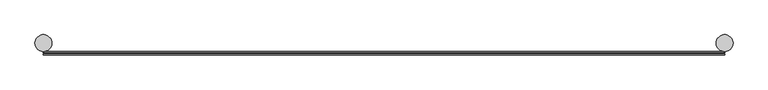
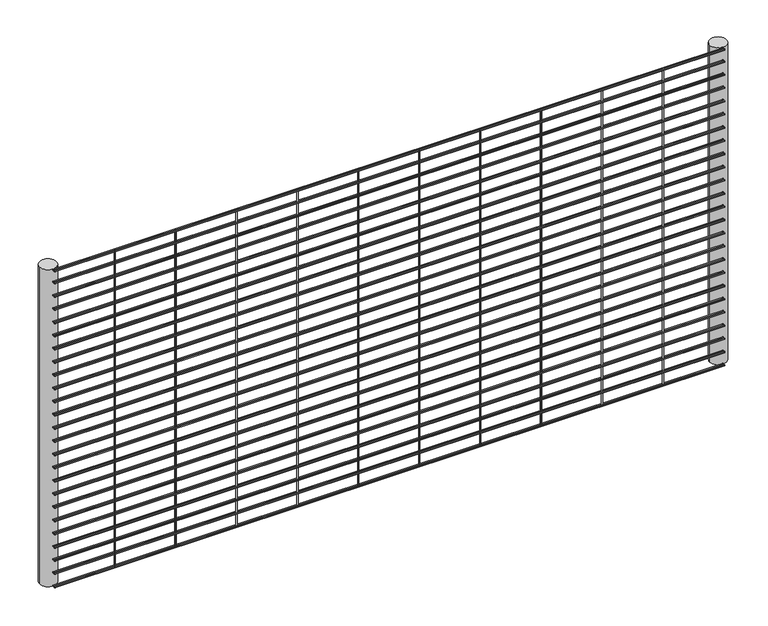
"""IFC4 building model written with IfcOpenShell, lengths in millimetres: railing geometry."""

import ifcopenshell
import ifcopenshell.guid

model = None  # the IFC model being written
_history = None  # IfcOwnerHistory: only IFC2X3 demands one
_inside = {}  # id of a spatial element -> (the spatial element, [elements in it])
_under = {}  # id of a project, library or spatial element -> (it, [spatial elements below it])
_declared = {}  # id of a project -> (the project, [libraries it declares])
_typed = {}  # id of a type object -> (the type object, [elements of that type])
_made_of = {}  # id of a material, layer set ... -> (it, [elements and type objects made of it])


def new_model(schema):
    """Start an empty IFC model of exactly this schema.

    Asked for "IFC4X3", IfcOpenShell would pick the latest addendum, in which some entities
    have other attributes; the version numbers below select the first issue.
    IFC2X3 requires an IfcOwnerHistory on every rooted entity: one is made here for all.
    """
    global model, _history
    if schema == "IFC4X3":
        model = ifcopenshell.file(schema_version=(4, 3, 0, 0))
    else:
        model = ifcopenshell.file(schema=schema)
    _inside.clear()
    _under.clear()
    _declared.clear()
    _typed.clear()
    _made_of.clear()
    _history = None
    if model.schema == "IFC2X3":
        org = make("IfcOrganization", Name="unknown")
        user = make(
            "IfcPersonAndOrganization",
            ThePerson=make("IfcPerson", FamilyName="unknown"),
            TheOrganization=org,
        )
        app = make(
            "IfcApplication",
            ApplicationDeveloper=org,
            Version="unknown",
            ApplicationFullName="unknown",
            ApplicationIdentifier="unknown",
        )
        _history = make(
            "IfcOwnerHistory",
            OwningUser=user,
            OwningApplication=app,
            ChangeAction="ADDED",
            CreationDate=0,
        )
    return model


def make(cls, **values):
    """One entity of the class cls with the attributes given. An attribute that is None is left unset."""
    return model.create_entity(
        cls, **{name: value for name, value in values.items() if value is not None}
    )


def rooted(cls, **values):
    """An entity with a GlobalId (a new one), such as an element, a storey or a relation."""
    return make(cls, GlobalId=ifcopenshell.guid.new(), OwnerHistory=_history, **values)


def si_unit(unit_type, name, prefix=None):
    """IfcSIUnit, for example si_unit("LENGTHUNIT", "METRE", prefix="MILLI")."""
    return make("IfcSIUnit", UnitType=unit_type, Prefix=prefix, Name=name)


def assignment(units):
    """IfcUnitAssignment: the units of a project."""
    return None if units is None else make("IfcUnitAssignment", Units=units)


def point(xyz):
    """IfcCartesianPoint."""
    return None if xyz is None else make("IfcCartesianPoint", Coordinates=xyz)


def direction(xyz):
    """IfcDirection."""
    return None if xyz is None else make("IfcDirection", DirectionRatios=xyz)


def frame(location, z_axis=None, x_axis=None):
    """IfcAxis2Placement3D, a coordinate frame: its origin and axes. An axis left out is left unset."""
    return make(
        "IfcAxis2Placement3D",
        Location=point(location),
        Axis=direction(z_axis),
        RefDirection=direction(x_axis),
    )


def frame_2d(location, x_axis=None):
    """IfcAxis2Placement2D, a coordinate frame in the plane: its origin and x axis."""
    return make(
        "IfcAxis2Placement2D", Location=point(location), RefDirection=direction(x_axis)
    )


def origin():
    """The frame at (0, 0, 0) with its axes left unset."""
    return frame((0.0, 0.0, 0.0))


def place(relative_to, where):
    """IfcLocalPlacement: puts the frame where relative to a parent placement (None: the world)."""
    return make(
        "IfcLocalPlacement", PlacementRelTo=relative_to, RelativePlacement=where
    )


def context(
    kind, dimensions, precision=None, world=None, true_north=None, identifier=None
):
    """IfcGeometricRepresentationContext, for example the 3D "Model" context."""
    return make(
        "IfcGeometricRepresentationContext",
        ContextIdentifier=identifier,
        ContextType=kind,
        CoordinateSpaceDimension=dimensions,
        Precision=precision,
        WorldCoordinateSystem=world,
        TrueNorth=true_north,
    )


def project(units=None, contexts=None):
    """IfcProject with its units and contexts."""
    return rooted(
        "IfcProject",
        Name="project",
        RepresentationContexts=contexts,
        UnitsInContext=assignment(units),
    )


def spatial(cls, under=None, at=None, **own):
    """A site, building, storey or space (cls), placed at a placement, below another one or the project."""
    s = rooted(cls, ObjectPlacement=at, **own)
    if under is not None:
        _under.setdefault(under.id(), (under, []))[1].append(s)
    return s


def circle_curve(where, radius):
    """IfcCircle in the frame where."""
    return make("IfcCircle", Position=where, Radius=radius)


def trimmed(basis, trim1, trim2, sense, master):
    """IfcTrimmedCurve: the piece of a basis curve between two trims."""
    return make(
        "IfcTrimmedCurve",
        BasisCurve=basis,
        Trim1=trim1,
        Trim2=trim2,
        SenseAgreement=sense,
        MasterRepresentation=master,
    )


def segment(curve, same_sense, transition):
    """IfcCompositeCurveSegment."""
    return make(
        "IfcCompositeCurveSegment",
        Transition=transition,
        SameSense=same_sense,
        ParentCurve=curve,
    )


def composite_curve(segments, self_intersect=None):
    """IfcCompositeCurve: segments joined end to end."""
    return make("IfcCompositeCurve", Segments=segments, SelfIntersect=self_intersect)


def outline(outer, holes=None, kind="AREA"):
    """IfcArbitraryClosedProfileDef: a profile drawn as a closed curve; with holes, ...WithVoids."""
    if holes is None:
        return make("IfcArbitraryClosedProfileDef", ProfileType=kind, OuterCurve=outer)
    return make(
        "IfcArbitraryProfileDefWithVoids",
        ProfileType=kind,
        OuterCurve=outer,
        InnerCurves=holes,
    )


def extrude(swept, where, along, depth):
    """IfcExtrudedAreaSolid: the profile swept, set in the frame where, extruded along a direction by depth."""
    return make(
        "IfcExtrudedAreaSolid",
        SweptArea=swept,
        Position=where,
        ExtrudedDirection=direction(along),
        Depth=depth,
    )


def shape(context_of_items, identifier, shape_type, items):
    """IfcShapeRepresentation: the items that make up one representation, for example the "Body"."""
    return make(
        "IfcShapeRepresentation",
        ContextOfItems=context_of_items,
        RepresentationIdentifier=identifier,
        RepresentationType=shape_type,
        Items=items,
    )


def source(mapping_origin, context_of_items, identifier, shape_type, items):
    """IfcRepresentationMap: a shape defined once, which mapped items show again and again."""
    return make(
        "IfcRepresentationMap",
        MappingOrigin=mapping_origin,
        MappedRepresentation=shape(context_of_items, identifier, shape_type, items),
    )


def transform(
    local_origin,
    x_axis=None,
    y_axis=None,
    z_axis=None,
    scale=None,
    scale2=None,
    scale3=None,
    uniform=True,
):
    """IfcCartesianTransformationOperator3D, or its non-uniform kind. x_axis, y_axis, z_axis: its Axis1, 2, 3."""
    if uniform:
        return make(
            "IfcCartesianTransformationOperator3D",
            Axis1=direction(x_axis),
            Axis2=direction(y_axis),
            LocalOrigin=point(local_origin),
            Scale=scale,
            Axis3=direction(z_axis),
        )
    return make(
        "IfcCartesianTransformationOperator3DnonUniform",
        Axis1=direction(x_axis),
        Axis2=direction(y_axis),
        LocalOrigin=point(local_origin),
        Scale=scale,
        Axis3=direction(z_axis),
        Scale2=scale2,
        Scale3=scale3,
    )


def mapped(mapping_source, mapping_target):
    """IfcMappedItem: shows the shape of a source again, moved by a transform."""
    return make(
        "IfcMappedItem", MappingSource=mapping_source, MappingTarget=mapping_target
    )


def made_of(thing, what):
    """Note that an element or type object is made of a material, layer set ...; save() writes the relation."""
    if what is not None:
        _made_of.setdefault(what.id(), (what, []))[1].append(thing)
    return thing


def element(
    cls,
    number,
    at=None,
    inside=None,
    cuts=None,
    type_object=None,
    material=None,
    context=None,
    identifier="Body",
    shape_type=None,
    held_by="IfcProductDefinitionShape",
    body=None,
    shapes=None,
    **own,
):
    """One element of the class cls, such as IfcWall. Its Tag is "e" and its number.

    at: its placement. inside: the storey or other place that contains it. cuts: it is an
    opening in that element (IfcRelVoidsElement). A single representation is given by context,
    identifier, shape_type and body (its items); several are given by shapes. held_by: the class
    of the entity that holds the representations. save() writes the other relations.
    """
    e = rooted(cls, Tag="e%d" % number, ObjectPlacement=at, **own)
    if body is not None:
        shapes = [shape(context, identifier, shape_type, body)]
    if shapes is not None:
        e.Representation = make(held_by, Representations=shapes)
    if inside is not None:
        _inside.setdefault(inside.id(), (inside, []))[1].append(e)
    if cuts is not None:
        rooted(
            "IfcRelVoidsElement", RelatingBuildingElement=cuts, RelatedOpeningElement=e
        )
    if type_object is not None:
        _typed.setdefault(type_object.id(), (type_object, []))[1].append(e)
    return made_of(e, material)


def aggregate(whole, parts):
    """IfcRelAggregates: a whole, such as a stair, and the parts it consists of."""
    return rooted("IfcRelAggregates", RelatingObject=whole, RelatedObjects=parts)


def save(model, path):
    """Write the relations noted so far, then the file.

    IfcRelAggregates (storeys below a building ...), IfcRelContainedInSpatialStructure (elements
    in a storey), IfcRelDefinesByType, IfcRelAssociatesMaterial and IfcRelDeclares: one each for
    every whole, place, type object, material and project.
    """
    for whole, parts in _under.values():
        aggregate(whole, parts)
    for where, things in _inside.values():
        rooted(
            "IfcRelContainedInSpatialStructure",
            RelatedElements=things,
            RelatingStructure=where,
        )
    for kind, things in _typed.values():
        rooted("IfcRelDefinesByType", RelatedObjects=things, RelatingType=kind)
    for what, things in _made_of.values():
        rooted("IfcRelAssociatesMaterial", RelatedObjects=things, RelatingMaterial=what)
    for by, libraries in _declared.values():
        rooted("IfcRelDeclares", RelatingContext=by, RelatedDefinitions=libraries)
    model.write(path)


def railing_cacaec02(model_context):
    return source(origin(), model_context, "Body", "SweptSolid", [
        extrude(outline(composite_curve([segment(trimmed(circle_curve(frame_2d((3531.195995, 8836.81875)), 2.0574), [point((3533.253395, 8836.81875))], [point((3529.138595, 8836.81875))], False, "CARTESIAN"), True, "CONTINUOUS"), segment(trimmed(circle_curve(frame_2d((3531.195995, 8836.81875)), 2.0574), [point((3529.138595, 8836.81875))], [point((3533.253395, 8836.81875))], False, "CARTESIAN"), True, "CONTINUOUS")], self_intersect=False)), frame((-11285.4581376, 0.0, 0.0), z_axis=(1.0, 0.0, 0.0), x_axis=(0.0, 1.0, 0.0)), (0.0, 0.0, 1.0), 2438.4),
        extrude(outline(composite_curve([segment(trimmed(circle_curve(frame_2d((3539.3319325, 8836.81875)), 2.0574), [point((3541.3893325, 8836.81875))], [point((3537.2745325, 8836.81875))], False, "CARTESIAN"), True, "CONTINUOUS"), segment(trimmed(circle_curve(frame_2d((3539.3319325, 8836.81875)), 2.0574), [point((3537.2745325, 8836.81875))], [point((3541.3893325, 8836.81875))], False, "CARTESIAN"), True, "CONTINUOUS")], self_intersect=False)), frame((-11285.4581376, 0.0, 0.0), z_axis=(1.0, 0.0, 0.0), x_axis=(0.0, 1.0, 0.0)), (0.0, 0.0, 1.0), 2438.4),
        extrude(outline(composite_curve([segment(trimmed(circle_curve(frame_2d((3531.195995, 8790.4835937)), 2.0574), [point((3533.253395, 8790.4835937))], [point((3529.138595, 8790.4835937))], False, "CARTESIAN"), True, "CONTINUOUS"), segment(trimmed(circle_curve(frame_2d((3531.195995, 8790.4835937)), 2.0574), [point((3529.138595, 8790.4835937))], [point((3533.253395, 8790.4835937))], False, "CARTESIAN"), True, "CONTINUOUS")], self_intersect=False)), frame((-11285.4581376, 0.0, 0.0), z_axis=(1.0, 0.0, 0.0), x_axis=(0.0, 1.0, 0.0)), (0.0, 0.0, 1.0), 2438.4),
        extrude(outline(composite_curve([segment(trimmed(circle_curve(frame_2d((3539.3319325, 8790.4835937)), 2.0574), [point((3541.3893325, 8790.4835937))], [point((3537.2745325, 8790.4835937))], False, "CARTESIAN"), True, "CONTINUOUS"), segment(trimmed(circle_curve(frame_2d((3539.3319325, 8790.4835937)), 2.0574), [point((3537.2745325, 8790.4835937))], [point((3541.3893325, 8790.4835937))], False, "CARTESIAN"), True, "CONTINUOUS")], self_intersect=False)), frame((-11285.4581376, 0.0, 0.0), z_axis=(1.0, 0.0, 0.0), x_axis=(0.0, 1.0, 0.0)), (0.0, 0.0, 1.0), 2438.4),
        extrude(outline(composite_curve([segment(trimmed(circle_curve(frame_2d((3531.195995, 8739.6835937)), 2.0574), [point((3533.253395, 8739.6835937))], [point((3529.138595, 8739.6835937))], False, "CARTESIAN"), True, "CONTINUOUS"), segment(trimmed(circle_curve(frame_2d((3531.195995, 8739.6835937)), 2.0574), [point((3529.138595, 8739.6835937))], [point((3533.253395, 8739.6835937))], False, "CARTESIAN"), True, "CONTINUOUS")], self_intersect=False)), frame((-11285.4581376, 0.0, 0.0), z_axis=(1.0, 0.0, 0.0), x_axis=(0.0, 1.0, 0.0)), (0.0, 0.0, 1.0), 2438.4),
        extrude(outline(composite_curve([segment(trimmed(circle_curve(frame_2d((3539.3319325, 8739.6835937)), 2.0574), [point((3541.3893325, 8739.6835937))], [point((3537.2745325, 8739.6835937))], False, "CARTESIAN"), True, "CONTINUOUS"), segment(trimmed(circle_curve(frame_2d((3539.3319325, 8739.6835937)), 2.0574), [point((3537.2745325, 8739.6835937))], [point((3541.3893325, 8739.6835937))], False, "CARTESIAN"), True, "CONTINUOUS")], self_intersect=False)), frame((-11285.4581376, 0.0, 0.0), z_axis=(1.0, 0.0, 0.0), x_axis=(0.0, 1.0, 0.0)), (0.0, 0.0, 1.0), 2438.4),
        extrude(outline(composite_curve([segment(trimmed(circle_curve(frame_2d((3531.195995, 8688.8835937)), 2.0574), [point((3533.253395, 8688.8835937))], [point((3529.138595, 8688.8835937))], False, "CARTESIAN"), True, "CONTINUOUS"), segment(trimmed(circle_curve(frame_2d((3531.195995, 8688.8835937)), 2.0574), [point((3529.138595, 8688.8835937))], [point((3533.253395, 8688.8835937))], False, "CARTESIAN"), True, "CONTINUOUS")], self_intersect=False)), frame((-11285.4581376, 0.0, 0.0), z_axis=(1.0, 0.0, 0.0), x_axis=(0.0, 1.0, 0.0)), (0.0, 0.0, 1.0), 2438.4),
        extrude(outline(composite_curve([segment(trimmed(circle_curve(frame_2d((3539.3319325, 8688.8835937)), 2.0574), [point((3541.3893325, 8688.8835937))], [point((3537.2745325, 8688.8835937))], False, "CARTESIAN"), True, "CONTINUOUS"), segment(trimmed(circle_curve(frame_2d((3539.3319325, 8688.8835937)), 2.0574), [point((3537.2745325, 8688.8835937))], [point((3541.3893325, 8688.8835937))], False, "CARTESIAN"), True, "CONTINUOUS")], self_intersect=False)), frame((-11285.4581376, 0.0, 0.0), z_axis=(1.0, 0.0, 0.0), x_axis=(0.0, 1.0, 0.0)), (0.0, 0.0, 1.0), 2438.4),
        extrude(outline(composite_curve([segment(trimmed(circle_curve(frame_2d((3531.195995, 8638.0835937)), 2.0574), [point((3533.253395, 8638.0835937))], [point((3529.138595, 8638.0835937))], False, "CARTESIAN"), True, "CONTINUOUS"), segment(trimmed(circle_curve(frame_2d((3531.195995, 8638.0835937)), 2.0574), [point((3529.138595, 8638.0835937))], [point((3533.253395, 8638.0835937))], False, "CARTESIAN"), True, "CONTINUOUS")], self_intersect=False)), frame((-11285.4581376, 0.0, 0.0), z_axis=(1.0, 0.0, 0.0), x_axis=(0.0, 1.0, 0.0)), (0.0, 0.0, 1.0), 2438.4),
        extrude(outline(composite_curve([segment(trimmed(circle_curve(frame_2d((3539.3319325, 8638.0835937)), 2.0574), [point((3541.3893325, 8638.0835937))], [point((3537.2745325, 8638.0835937))], False, "CARTESIAN"), True, "CONTINUOUS"), segment(trimmed(circle_curve(frame_2d((3539.3319325, 8638.0835937)), 2.0574), [point((3537.2745325, 8638.0835937))], [point((3541.3893325, 8638.0835937))], False, "CARTESIAN"), True, "CONTINUOUS")], self_intersect=False)), frame((-11285.4581376, 0.0, 0.0), z_axis=(1.0, 0.0, 0.0), x_axis=(0.0, 1.0, 0.0)), (0.0, 0.0, 1.0), 2438.4),
        extrude(outline(composite_curve([segment(trimmed(circle_curve(frame_2d((3531.195995, 8587.2835937)), 2.0574), [point((3533.253395, 8587.2835937))], [point((3529.138595, 8587.2835937))], False, "CARTESIAN"), True, "CONTINUOUS"), segment(trimmed(circle_curve(frame_2d((3531.195995, 8587.2835937)), 2.0574), [point((3529.138595, 8587.2835937))], [point((3533.253395, 8587.2835937))], False, "CARTESIAN"), True, "CONTINUOUS")], self_intersect=False)), frame((-11285.4581376, 0.0, 0.0), z_axis=(1.0, 0.0, 0.0), x_axis=(0.0, 1.0, 0.0)), (0.0, 0.0, 1.0), 2438.4),
        extrude(outline(composite_curve([segment(trimmed(circle_curve(frame_2d((3539.3319325, 8587.2835937)), 2.0574), [point((3541.3893325, 8587.2835937))], [point((3537.2745325, 8587.2835937))], False, "CARTESIAN"), True, "CONTINUOUS"), segment(trimmed(circle_curve(frame_2d((3539.3319325, 8587.2835937)), 2.0574), [point((3537.2745325, 8587.2835937))], [point((3541.3893325, 8587.2835937))], False, "CARTESIAN"), True, "CONTINUOUS")], self_intersect=False)), frame((-11285.4581376, 0.0, 0.0), z_axis=(1.0, 0.0, 0.0), x_axis=(0.0, 1.0, 0.0)), (0.0, 0.0, 1.0), 2438.4),
        extrude(outline(composite_curve([segment(trimmed(circle_curve(frame_2d((3531.195995, 8536.4835937)), 2.0574), [point((3533.253395, 8536.4835937))], [point((3529.138595, 8536.4835937))], False, "CARTESIAN"), True, "CONTINUOUS"), segment(trimmed(circle_curve(frame_2d((3531.195995, 8536.4835937)), 2.0574), [point((3529.138595, 8536.4835937))], [point((3533.253395, 8536.4835937))], False, "CARTESIAN"), True, "CONTINUOUS")], self_intersect=False)), frame((-11285.4581376, 0.0, 0.0), z_axis=(1.0, 0.0, 0.0), x_axis=(0.0, 1.0, 0.0)), (0.0, 0.0, 1.0), 2438.4),
        extrude(outline(composite_curve([segment(trimmed(circle_curve(frame_2d((3539.3319325, 8536.4835937)), 2.0574), [point((3541.3893325, 8536.4835937))], [point((3537.2745325, 8536.4835937))], False, "CARTESIAN"), True, "CONTINUOUS"), segment(trimmed(circle_curve(frame_2d((3539.3319325, 8536.4835937)), 2.0574), [point((3537.2745325, 8536.4835937))], [point((3541.3893325, 8536.4835937))], False, "CARTESIAN"), True, "CONTINUOUS")], self_intersect=False)), frame((-11285.4581376, 0.0, 0.0), z_axis=(1.0, 0.0, 0.0), x_axis=(0.0, 1.0, 0.0)), (0.0, 0.0, 1.0), 2438.4),
        extrude(outline(composite_curve([segment(trimmed(circle_curve(frame_2d((3531.195995, 8485.6835937)), 2.0574), [point((3533.253395, 8485.6835937))], [point((3529.138595, 8485.6835937))], False, "CARTESIAN"), True, "CONTINUOUS"), segment(trimmed(circle_curve(frame_2d((3531.195995, 8485.6835937)), 2.0574), [point((3529.138595, 8485.6835937))], [point((3533.253395, 8485.6835937))], False, "CARTESIAN"), True, "CONTINUOUS")], self_intersect=False)), frame((-11285.4581376, 0.0, 0.0), z_axis=(1.0, 0.0, 0.0), x_axis=(0.0, 1.0, 0.0)), (0.0, 0.0, 1.0), 2438.4),
        extrude(outline(composite_curve([segment(trimmed(circle_curve(frame_2d((3539.3319325, 8485.6835937)), 2.0574), [point((3541.3893325, 8485.6835937))], [point((3537.2745325, 8485.6835937))], False, "CARTESIAN"), True, "CONTINUOUS"), segment(trimmed(circle_curve(frame_2d((3539.3319325, 8485.6835937)), 2.0574), [point((3537.2745325, 8485.6835937))], [point((3541.3893325, 8485.6835937))], False, "CARTESIAN"), True, "CONTINUOUS")], self_intersect=False)), frame((-11285.4581376, 0.0, 0.0), z_axis=(1.0, 0.0, 0.0), x_axis=(0.0, 1.0, 0.0)), (0.0, 0.0, 1.0), 2438.4),
        extrude(outline(composite_curve([segment(trimmed(circle_curve(frame_2d((3531.195995, 8434.8835937)), 2.0574), [point((3533.253395, 8434.8835937))], [point((3529.138595, 8434.8835937))], False, "CARTESIAN"), True, "CONTINUOUS"), segment(trimmed(circle_curve(frame_2d((3531.195995, 8434.8835937)), 2.0574), [point((3529.138595, 8434.8835937))], [point((3533.253395, 8434.8835937))], False, "CARTESIAN"), True, "CONTINUOUS")], self_intersect=False)), frame((-11285.4581376, 0.0, 0.0), z_axis=(1.0, 0.0, 0.0), x_axis=(0.0, 1.0, 0.0)), (0.0, 0.0, 1.0), 2438.4),
        extrude(outline(composite_curve([segment(trimmed(circle_curve(frame_2d((3539.3319325, 8434.8835937)), 2.0574), [point((3541.3893325, 8434.8835937))], [point((3537.2745325, 8434.8835937))], False, "CARTESIAN"), True, "CONTINUOUS"), segment(trimmed(circle_curve(frame_2d((3539.3319325, 8434.8835937)), 2.0574), [point((3537.2745325, 8434.8835937))], [point((3541.3893325, 8434.8835937))], False, "CARTESIAN"), True, "CONTINUOUS")], self_intersect=False)), frame((-11285.4581376, 0.0, 0.0), z_axis=(1.0, 0.0, 0.0), x_axis=(0.0, 1.0, 0.0)), (0.0, 0.0, 1.0), 2438.4),
        extrude(outline(composite_curve([segment(trimmed(circle_curve(frame_2d((3531.195995, 8384.0835937)), 2.0574), [point((3533.253395, 8384.0835937))], [point((3529.138595, 8384.0835937))], False, "CARTESIAN"), True, "CONTINUOUS"), segment(trimmed(circle_curve(frame_2d((3531.195995, 8384.0835937)), 2.0574), [point((3529.138595, 8384.0835937))], [point((3533.253395, 8384.0835937))], False, "CARTESIAN"), True, "CONTINUOUS")], self_intersect=False)), frame((-11285.4581376, 0.0, 0.0), z_axis=(1.0, 0.0, 0.0), x_axis=(0.0, 1.0, 0.0)), (0.0, 0.0, 1.0), 2438.4),
        extrude(outline(composite_curve([segment(trimmed(circle_curve(frame_2d((3539.3319325, 8384.0835937)), 2.0574), [point((3541.3893325, 8384.0835937))], [point((3537.2745325, 8384.0835937))], False, "CARTESIAN"), True, "CONTINUOUS"), segment(trimmed(circle_curve(frame_2d((3539.3319325, 8384.0835937)), 2.0574), [point((3537.2745325, 8384.0835937))], [point((3541.3893325, 8384.0835937))], False, "CARTESIAN"), True, "CONTINUOUS")], self_intersect=False)), frame((-11285.4581376, 0.0, 0.0), z_axis=(1.0, 0.0, 0.0), x_axis=(0.0, 1.0, 0.0)), (0.0, 0.0, 1.0), 2438.4),
        extrude(outline(composite_curve([segment(trimmed(circle_curve(frame_2d((3531.195995, 8333.2835937)), 2.0574), [point((3533.253395, 8333.2835937))], [point((3529.138595, 8333.2835937))], False, "CARTESIAN"), True, "CONTINUOUS"), segment(trimmed(circle_curve(frame_2d((3531.195995, 8333.2835937)), 2.0574), [point((3529.138595, 8333.2835937))], [point((3533.253395, 8333.2835937))], False, "CARTESIAN"), True, "CONTINUOUS")], self_intersect=False)), frame((-11285.4581376, 0.0, 0.0), z_axis=(1.0, 0.0, 0.0), x_axis=(0.0, 1.0, 0.0)), (0.0, 0.0, 1.0), 2438.4),
        extrude(outline(composite_curve([segment(trimmed(circle_curve(frame_2d((3539.3319325, 8333.2835937)), 2.0574), [point((3541.3893325, 8333.2835937))], [point((3537.2745325, 8333.2835937))], False, "CARTESIAN"), True, "CONTINUOUS"), segment(trimmed(circle_curve(frame_2d((3539.3319325, 8333.2835937)), 2.0574), [point((3537.2745325, 8333.2835937))], [point((3541.3893325, 8333.2835937))], False, "CARTESIAN"), True, "CONTINUOUS")], self_intersect=False)), frame((-11285.4581376, 0.0, 0.0), z_axis=(1.0, 0.0, 0.0), x_axis=(0.0, 1.0, 0.0)), (0.0, 0.0, 1.0), 2438.4),
        extrude(outline(composite_curve([segment(trimmed(circle_curve(frame_2d((3531.195995, 8282.4835937)), 2.0574), [point((3533.253395, 8282.4835937))], [point((3529.138595, 8282.4835937))], False, "CARTESIAN"), True, "CONTINUOUS"), segment(trimmed(circle_curve(frame_2d((3531.195995, 8282.4835937)), 2.0574), [point((3529.138595, 8282.4835937))], [point((3533.253395, 8282.4835937))], False, "CARTESIAN"), True, "CONTINUOUS")], self_intersect=False)), frame((-11285.4581376, 0.0, 0.0), z_axis=(1.0, 0.0, 0.0), x_axis=(0.0, 1.0, 0.0)), (0.0, 0.0, 1.0), 2438.4),
        extrude(outline(composite_curve([segment(trimmed(circle_curve(frame_2d((3539.3319325, 8282.4835937)), 2.0574), [point((3541.3893325, 8282.4835937))], [point((3537.2745325, 8282.4835937))], False, "CARTESIAN"), True, "CONTINUOUS"), segment(trimmed(circle_curve(frame_2d((3539.3319325, 8282.4835937)), 2.0574), [point((3537.2745325, 8282.4835937))], [point((3541.3893325, 8282.4835937))], False, "CARTESIAN"), True, "CONTINUOUS")], self_intersect=False)), frame((-11285.4581376, 0.0, 0.0), z_axis=(1.0, 0.0, 0.0), x_axis=(0.0, 1.0, 0.0)), (0.0, 0.0, 1.0), 2438.4),
        extrude(outline(composite_curve([segment(trimmed(circle_curve(frame_2d((3531.195995, 8231.6835937)), 2.0574), [point((3533.253395, 8231.6835937))], [point((3529.138595, 8231.6835937))], False, "CARTESIAN"), True, "CONTINUOUS"), segment(trimmed(circle_curve(frame_2d((3531.195995, 8231.6835937)), 2.0574), [point((3529.138595, 8231.6835937))], [point((3533.253395, 8231.6835937))], False, "CARTESIAN"), True, "CONTINUOUS")], self_intersect=False)), frame((-11285.4581376, 0.0, 0.0), z_axis=(1.0, 0.0, 0.0), x_axis=(0.0, 1.0, 0.0)), (0.0, 0.0, 1.0), 2438.4),
        extrude(outline(composite_curve([segment(trimmed(circle_curve(frame_2d((3539.3319325, 8231.6835937)), 2.0574), [point((3541.3893325, 8231.6835937))], [point((3537.2745325, 8231.6835937))], False, "CARTESIAN"), True, "CONTINUOUS"), segment(trimmed(circle_curve(frame_2d((3539.3319325, 8231.6835937)), 2.0574), [point((3537.2745325, 8231.6835937))], [point((3541.3893325, 8231.6835937))], False, "CARTESIAN"), True, "CONTINUOUS")], self_intersect=False)), frame((-11285.4581376, 0.0, 0.0), z_axis=(1.0, 0.0, 0.0), x_axis=(0.0, 1.0, 0.0)), (0.0, 0.0, 1.0), 2438.4),
        extrude(outline(composite_curve([segment(trimmed(circle_curve(frame_2d((3531.195995, 8180.8835937)), 2.0574), [point((3533.253395, 8180.8835937))], [point((3529.138595, 8180.8835937))], False, "CARTESIAN"), True, "CONTINUOUS"), segment(trimmed(circle_curve(frame_2d((3531.195995, 8180.8835937)), 2.0574), [point((3529.138595, 8180.8835937))], [point((3533.253395, 8180.8835937))], False, "CARTESIAN"), True, "CONTINUOUS")], self_intersect=False)), frame((-11285.4581376, 0.0, 0.0), z_axis=(1.0, 0.0, 0.0), x_axis=(0.0, 1.0, 0.0)), (0.0, 0.0, 1.0), 2438.4),
        extrude(outline(composite_curve([segment(trimmed(circle_curve(frame_2d((3539.3319325, 8180.8835937)), 2.0574), [point((3541.3893325, 8180.8835937))], [point((3537.2745325, 8180.8835937))], False, "CARTESIAN"), True, "CONTINUOUS"), segment(trimmed(circle_curve(frame_2d((3539.3319325, 8180.8835937)), 2.0574), [point((3537.2745325, 8180.8835937))], [point((3541.3893325, 8180.8835937))], False, "CARTESIAN"), True, "CONTINUOUS")], self_intersect=False)), frame((-11285.4581376, 0.0, 0.0), z_axis=(1.0, 0.0, 0.0), x_axis=(0.0, 1.0, 0.0)), (0.0, 0.0, 1.0), 2438.4),
        extrude(outline(composite_curve([segment(trimmed(circle_curve(frame_2d((3531.195995, 8130.0835937)), 2.0574), [point((3533.253395, 8130.0835937))], [point((3529.138595, 8130.0835937))], False, "CARTESIAN"), True, "CONTINUOUS"), segment(trimmed(circle_curve(frame_2d((3531.195995, 8130.0835937)), 2.0574), [point((3529.138595, 8130.0835937))], [point((3533.253395, 8130.0835937))], False, "CARTESIAN"), True, "CONTINUOUS")], self_intersect=False)), frame((-11285.4581376, 0.0, 0.0), z_axis=(1.0, 0.0, 0.0), x_axis=(0.0, 1.0, 0.0)), (0.0, 0.0, 1.0), 2438.4),
        extrude(outline(composite_curve([segment(trimmed(circle_curve(frame_2d((3539.3319325, 8130.0835937)), 2.0574), [point((3541.3893325, 8130.0835937))], [point((3537.2745325, 8130.0835937))], False, "CARTESIAN"), True, "CONTINUOUS"), segment(trimmed(circle_curve(frame_2d((3539.3319325, 8130.0835937)), 2.0574), [point((3537.2745325, 8130.0835937))], [point((3541.3893325, 8130.0835937))], False, "CARTESIAN"), True, "CONTINUOUS")], self_intersect=False)), frame((-11285.4581376, 0.0, 0.0), z_axis=(1.0, 0.0, 0.0), x_axis=(0.0, 1.0, 0.0)), (0.0, 0.0, 1.0), 2438.4),
        extrude(outline(composite_curve([segment(trimmed(circle_curve(frame_2d((3531.195995, 8079.2835937)), 2.0574), [point((3533.253395, 8079.2835937))], [point((3529.138595, 8079.2835937))], False, "CARTESIAN"), True, "CONTINUOUS"), segment(trimmed(circle_curve(frame_2d((3531.195995, 8079.2835937)), 2.0574), [point((3529.138595, 8079.2835937))], [point((3533.253395, 8079.2835937))], False, "CARTESIAN"), True, "CONTINUOUS")], self_intersect=False)), frame((-11285.4581376, 0.0, 0.0), z_axis=(1.0, 0.0, 0.0), x_axis=(0.0, 1.0, 0.0)), (0.0, 0.0, 1.0), 2438.4),
        extrude(outline(composite_curve([segment(trimmed(circle_curve(frame_2d((3539.3319325, 8079.2835937)), 2.0574), [point((3541.3893325, 8079.2835937))], [point((3537.2745325, 8079.2835937))], False, "CARTESIAN"), True, "CONTINUOUS"), segment(trimmed(circle_curve(frame_2d((3539.3319325, 8079.2835937)), 2.0574), [point((3537.2745325, 8079.2835937))], [point((3541.3893325, 8079.2835937))], False, "CARTESIAN"), True, "CONTINUOUS")], self_intersect=False)), frame((-11285.4581376, 0.0, 0.0), z_axis=(1.0, 0.0, 0.0), x_axis=(0.0, 1.0, 0.0)), (0.0, 0.0, 1.0), 2438.4),
        extrude(outline(composite_curve([segment(trimmed(circle_curve(frame_2d((3531.195995, 8028.4835937)), 2.0574), [point((3533.253395, 8028.4835937))], [point((3529.138595, 8028.4835937))], False, "CARTESIAN"), True, "CONTINUOUS"), segment(trimmed(circle_curve(frame_2d((3531.195995, 8028.4835937)), 2.0574), [point((3529.138595, 8028.4835937))], [point((3533.253395, 8028.4835937))], False, "CARTESIAN"), True, "CONTINUOUS")], self_intersect=False)), frame((-11285.4581376, 0.0, 0.0), z_axis=(1.0, 0.0, 0.0), x_axis=(0.0, 1.0, 0.0)), (0.0, 0.0, 1.0), 2438.4),
        extrude(outline(composite_curve([segment(trimmed(circle_curve(frame_2d((3539.3319325, 8028.4835937)), 2.0574), [point((3541.3893325, 8028.4835937))], [point((3537.2745325, 8028.4835937))], False, "CARTESIAN"), True, "CONTINUOUS"), segment(trimmed(circle_curve(frame_2d((3539.3319325, 8028.4835937)), 2.0574), [point((3537.2745325, 8028.4835937))], [point((3541.3893325, 8028.4835937))], False, "CARTESIAN"), True, "CONTINUOUS")], self_intersect=False)), frame((-11285.4581376, 0.0, 0.0), z_axis=(1.0, 0.0, 0.0), x_axis=(0.0, 1.0, 0.0)), (0.0, 0.0, 1.0), 2438.4),
        extrude(outline(composite_curve([segment(trimmed(circle_curve(frame_2d((3531.195995, 7977.6835937)), 2.0574), [point((3533.253395, 7977.6835937))], [point((3529.138595, 7977.6835937))], False, "CARTESIAN"), True, "CONTINUOUS"), segment(trimmed(circle_curve(frame_2d((3531.195995, 7977.6835937)), 2.0574), [point((3529.138595, 7977.6835937))], [point((3533.253395, 7977.6835937))], False, "CARTESIAN"), True, "CONTINUOUS")], self_intersect=False)), frame((-11285.4581376, 0.0, 0.0), z_axis=(1.0, 0.0, 0.0), x_axis=(0.0, 1.0, 0.0)), (0.0, 0.0, 1.0), 2438.4),
        extrude(outline(composite_curve([segment(trimmed(circle_curve(frame_2d((3539.3319325, 7977.6835937)), 2.0574), [point((3541.3893325, 7977.6835937))], [point((3537.2745325, 7977.6835937))], False, "CARTESIAN"), True, "CONTINUOUS"), segment(trimmed(circle_curve(frame_2d((3539.3319325, 7977.6835937)), 2.0574), [point((3537.2745325, 7977.6835937))], [point((3541.3893325, 7977.6835937))], False, "CARTESIAN"), True, "CONTINUOUS")], self_intersect=False)), frame((-11285.4581376, 0.0, 0.0), z_axis=(1.0, 0.0, 0.0), x_axis=(0.0, 1.0, 0.0)), (0.0, 0.0, 1.0), 2438.4),
        extrude(outline(composite_curve([segment(trimmed(circle_curve(frame_2d((3531.195995, 7926.8835937)), 2.0574), [point((3533.253395, 7926.8835937))], [point((3529.138595, 7926.8835937))], False, "CARTESIAN"), True, "CONTINUOUS"), segment(trimmed(circle_curve(frame_2d((3531.195995, 7926.8835937)), 2.0574), [point((3529.138595, 7926.8835937))], [point((3533.253395, 7926.8835937))], False, "CARTESIAN"), True, "CONTINUOUS")], self_intersect=False)), frame((-11285.4581376, 0.0, 0.0), z_axis=(1.0, 0.0, 0.0), x_axis=(0.0, 1.0, 0.0)), (0.0, 0.0, 1.0), 2438.4),
        extrude(outline(composite_curve([segment(trimmed(circle_curve(frame_2d((3539.3319325, 7926.8835937)), 2.0574), [point((3541.3893325, 7926.8835937))], [point((3537.2745325, 7926.8835937))], False, "CARTESIAN"), True, "CONTINUOUS"), segment(trimmed(circle_curve(frame_2d((3539.3319325, 7926.8835937)), 2.0574), [point((3537.2745325, 7926.8835937))], [point((3541.3893325, 7926.8835937))], False, "CARTESIAN"), True, "CONTINUOUS")], self_intersect=False)), frame((-11285.4581376, 0.0, 0.0), z_axis=(1.0, 0.0, 0.0), x_axis=(0.0, 1.0, 0.0)), (0.0, 0.0, 1.0), 2438.4),
        extrude(outline(composite_curve([segment(trimmed(circle_curve(frame_2d((3531.195995, 7876.0835937)), 2.0574), [point((3533.253395, 7876.0835937))], [point((3529.138595, 7876.0835937))], False, "CARTESIAN"), True, "CONTINUOUS"), segment(trimmed(circle_curve(frame_2d((3531.195995, 7876.0835937)), 2.0574), [point((3529.138595, 7876.0835937))], [point((3533.253395, 7876.0835937))], False, "CARTESIAN"), True, "CONTINUOUS")], self_intersect=False)), frame((-11285.4581376, 0.0, 0.0), z_axis=(1.0, 0.0, 0.0), x_axis=(0.0, 1.0, 0.0)), (0.0, 0.0, 1.0), 2438.4),
        extrude(outline(composite_curve([segment(trimmed(circle_curve(frame_2d((3539.3319325, 7876.0835937)), 2.0574), [point((3541.3893325, 7876.0835937))], [point((3537.2745325, 7876.0835937))], False, "CARTESIAN"), True, "CONTINUOUS"), segment(trimmed(circle_curve(frame_2d((3539.3319325, 7876.0835937)), 2.0574), [point((3537.2745325, 7876.0835937))], [point((3541.3893325, 7876.0835937))], False, "CARTESIAN"), True, "CONTINUOUS")], self_intersect=False)), frame((-11285.4581376, 0.0, 0.0), z_axis=(1.0, 0.0, 0.0), x_axis=(0.0, 1.0, 0.0)), (0.0, 0.0, 1.0), 2438.4),
        extrude(outline(composite_curve([segment(trimmed(circle_curve(frame_2d((3531.195995, 7825.2835937)), 2.0574), [point((3533.253395, 7825.2835937))], [point((3529.138595, 7825.2835937))], False, "CARTESIAN"), True, "CONTINUOUS"), segment(trimmed(circle_curve(frame_2d((3531.195995, 7825.2835937)), 2.0574), [point((3529.138595, 7825.2835937))], [point((3533.253395, 7825.2835937))], False, "CARTESIAN"), True, "CONTINUOUS")], self_intersect=False)), frame((-11285.4581376, 0.0, 0.0), z_axis=(1.0, 0.0, 0.0), x_axis=(0.0, 1.0, 0.0)), (0.0, 0.0, 1.0), 2438.4),
        extrude(outline(composite_curve([segment(trimmed(circle_curve(frame_2d((3539.3319325, 7825.2835937)), 2.0574), [point((3541.3893325, 7825.2835937))], [point((3537.2745325, 7825.2835937))], False, "CARTESIAN"), True, "CONTINUOUS"), segment(trimmed(circle_curve(frame_2d((3539.3319325, 7825.2835937)), 2.0574), [point((3537.2745325, 7825.2835937))], [point((3541.3893325, 7825.2835937))], False, "CARTESIAN"), True, "CONTINUOUS")], self_intersect=False)), frame((-11285.4581376, 0.0, 0.0), z_axis=(1.0, 0.0, 0.0), x_axis=(0.0, 1.0, 0.0)), (0.0, 0.0, 1.0), 2438.4),
        extrude(outline(composite_curve([segment(trimmed(circle_curve(frame_2d((3531.195995, 7774.4835937)), 2.0574), [point((3533.253395, 7774.4835937))], [point((3529.138595, 7774.4835937))], False, "CARTESIAN"), True, "CONTINUOUS"), segment(trimmed(circle_curve(frame_2d((3531.195995, 7774.4835937)), 2.0574), [point((3529.138595, 7774.4835937))], [point((3533.253395, 7774.4835937))], False, "CARTESIAN"), True, "CONTINUOUS")], self_intersect=False)), frame((-11285.4581376, 0.0, 0.0), z_axis=(1.0, 0.0, 0.0), x_axis=(0.0, 1.0, 0.0)), (0.0, 0.0, 1.0), 2438.4),
        extrude(outline(composite_curve([segment(trimmed(circle_curve(frame_2d((3539.3319325, 7774.4835937)), 2.0574), [point((3541.3893325, 7774.4835937))], [point((3537.2745325, 7774.4835937))], False, "CARTESIAN"), True, "CONTINUOUS"), segment(trimmed(circle_curve(frame_2d((3539.3319325, 7774.4835937)), 2.0574), [point((3537.2745325, 7774.4835937))], [point((3541.3893325, 7774.4835937))], False, "CARTESIAN"), True, "CONTINUOUS")], self_intersect=False)), frame((-11285.4581376, 0.0, 0.0), z_axis=(1.0, 0.0, 0.0), x_axis=(0.0, 1.0, 0.0)), (0.0, 0.0, 1.0), 2438.4),
        extrude(outline(composite_curve([segment(trimmed(circle_curve(frame_2d((3531.195995, 7723.6835937)), 2.0574), [point((3533.253395, 7723.6835937))], [point((3529.138595, 7723.6835937))], False, "CARTESIAN"), True, "CONTINUOUS"), segment(trimmed(circle_curve(frame_2d((3531.195995, 7723.6835937)), 2.0574), [point((3529.138595, 7723.6835937))], [point((3533.253395, 7723.6835937))], False, "CARTESIAN"), True, "CONTINUOUS")], self_intersect=False)), frame((-11285.4581376, 0.0, 0.0), z_axis=(1.0, 0.0, 0.0), x_axis=(0.0, 1.0, 0.0)), (0.0, 0.0, 1.0), 2438.4),
        extrude(outline(composite_curve([segment(trimmed(circle_curve(frame_2d((3539.3319325, 7723.6835937)), 2.0574), [point((3541.3893325, 7723.6835937))], [point((3537.2745325, 7723.6835937))], False, "CARTESIAN"), True, "CONTINUOUS"), segment(trimmed(circle_curve(frame_2d((3539.3319325, 7723.6835937)), 2.0574), [point((3537.2745325, 7723.6835937))], [point((3541.3893325, 7723.6835937))], False, "CARTESIAN"), True, "CONTINUOUS")], self_intersect=False)), frame((-11285.4581376, 0.0, 0.0), z_axis=(1.0, 0.0, 0.0), x_axis=(0.0, 1.0, 0.0)), (0.0, 0.0, 1.0), 2438.4),
        extrude(outline(composite_curve([segment(trimmed(circle_curve(frame_2d((3531.195995, 7672.8835937)), 2.0574), [point((3533.253395, 7672.8835937))], [point((3529.138595, 7672.8835937))], False, "CARTESIAN"), True, "CONTINUOUS"), segment(trimmed(circle_curve(frame_2d((3531.195995, 7672.8835937)), 2.0574), [point((3529.138595, 7672.8835937))], [point((3533.253395, 7672.8835937))], False, "CARTESIAN"), True, "CONTINUOUS")], self_intersect=False)), frame((-11285.4581376, 0.0, 0.0), z_axis=(1.0, 0.0, 0.0), x_axis=(0.0, 1.0, 0.0)), (0.0, 0.0, 1.0), 2438.4),
        extrude(outline(composite_curve([segment(trimmed(circle_curve(frame_2d((3539.3319325, 7672.8835937)), 2.0574), [point((3541.3893325, 7672.8835937))], [point((3537.2745325, 7672.8835937))], False, "CARTESIAN"), True, "CONTINUOUS"), segment(trimmed(circle_curve(frame_2d((3539.3319325, 7672.8835937)), 2.0574), [point((3537.2745325, 7672.8835937))], [point((3541.3893325, 7672.8835937))], False, "CARTESIAN"), True, "CONTINUOUS")], self_intersect=False)), frame((-11285.4581376, 0.0, 0.0), z_axis=(1.0, 0.0, 0.0), x_axis=(0.0, 1.0, 0.0)), (0.0, 0.0, 1.0), 2438.4),
        extrude(outline(composite_curve([segment(trimmed(circle_curve(frame_2d((3531.195995, 7622.0835937)), 2.0574), [point((3533.253395, 7622.0835937))], [point((3529.138595, 7622.0835937))], False, "CARTESIAN"), True, "CONTINUOUS"), segment(trimmed(circle_curve(frame_2d((3531.195995, 7622.0835937)), 2.0574), [point((3529.138595, 7622.0835937))], [point((3533.253395, 7622.0835937))], False, "CARTESIAN"), True, "CONTINUOUS")], self_intersect=False)), frame((-11285.4581376, 0.0, 0.0), z_axis=(1.0, 0.0, 0.0), x_axis=(0.0, 1.0, 0.0)), (0.0, 0.0, 1.0), 2438.4),
        extrude(outline(composite_curve([segment(trimmed(circle_curve(frame_2d((3539.3319325, 7622.0835937)), 2.0574), [point((3541.3893325, 7622.0835937))], [point((3537.2745325, 7622.0835937))], False, "CARTESIAN"), True, "CONTINUOUS"), segment(trimmed(circle_curve(frame_2d((3539.3319325, 7622.0835937)), 2.0574), [point((3537.2745325, 7622.0835937))], [point((3541.3893325, 7622.0835937))], False, "CARTESIAN"), True, "CONTINUOUS")], self_intersect=False)), frame((-11285.4581376, 0.0, 0.0), z_axis=(1.0, 0.0, 0.0), x_axis=(0.0, 1.0, 0.0)), (0.0, 0.0, 1.0), 2438.4),
        extrude(outline(composite_curve([segment(trimmed(circle_curve(frame_2d((-9068.7308649, 3535.2639637)), 2.0574), [point((-9066.6734649, 3535.2639637))], [point((-9070.7882649, 3535.2639637))], False, "CARTESIAN"), True, "CONTINUOUS"), segment(trimmed(circle_curve(frame_2d((-9068.7308649, 3535.2639637)), 2.0574), [point((-9070.7882649, 3535.2639637))], [point((-9066.6734649, 3535.2639637))], False, "CARTESIAN"), True, "CONTINUOUS")], self_intersect=False)), frame((0.0, 0.0, 7620.0), z_axis=(0.0, 0.0, 1.0), x_axis=(1.0, 0.0, 0.0)), (0.0, 0.0, 1.0), 1219.2),
        extrude(outline(composite_curve([segment(trimmed(circle_curve(frame_2d((-9290.4035922, 3535.2639637)), 2.0574), [point((-9288.3461922, 3535.2639637))], [point((-9292.4609922, 3535.2639637))], False, "CARTESIAN"), True, "CONTINUOUS"), segment(trimmed(circle_curve(frame_2d((-9290.4035922, 3535.2639637)), 2.0574), [point((-9292.4609922, 3535.2639637))], [point((-9288.3461922, 3535.2639637))], False, "CARTESIAN"), True, "CONTINUOUS")], self_intersect=False)), frame((0.0, 0.0, 7620.0), z_axis=(0.0, 0.0, 1.0), x_axis=(1.0, 0.0, 0.0)), (0.0, 0.0, 1.0), 1219.2),
        extrude(outline(composite_curve([segment(trimmed(circle_curve(frame_2d((-9512.0763194, 3535.2639637)), 2.0574), [point((-9510.0189194, 3535.2639637))], [point((-9514.1337194, 3535.2639637))], False, "CARTESIAN"), True, "CONTINUOUS"), segment(trimmed(circle_curve(frame_2d((-9512.0763194, 3535.2639637)), 2.0574), [point((-9514.1337194, 3535.2639637))], [point((-9510.0189194, 3535.2639637))], False, "CARTESIAN"), True, "CONTINUOUS")], self_intersect=False)), frame((0.0, 0.0, 7620.0), z_axis=(0.0, 0.0, 1.0), x_axis=(1.0, 0.0, 0.0)), (0.0, 0.0, 1.0), 1219.2),
        extrude(outline(composite_curve([segment(trimmed(circle_curve(frame_2d((-9733.7490467, 3535.2639637)), 2.0574), [point((-9731.6916467, 3535.2639637))], [point((-9735.8064467, 3535.2639637))], False, "CARTESIAN"), True, "CONTINUOUS"), segment(trimmed(circle_curve(frame_2d((-9733.7490467, 3535.2639637)), 2.0574), [point((-9735.8064467, 3535.2639637))], [point((-9731.6916467, 3535.2639637))], False, "CARTESIAN"), True, "CONTINUOUS")], self_intersect=False)), frame((0.0, 0.0, 7620.0), z_axis=(0.0, 0.0, 1.0), x_axis=(1.0, 0.0, 0.0)), (0.0, 0.0, 1.0), 1219.2),
        extrude(outline(composite_curve([segment(trimmed(circle_curve(frame_2d((-9955.421774, 3535.2639637)), 2.0574), [point((-9953.364374, 3535.2639637))], [point((-9957.479174, 3535.2639637))], False, "CARTESIAN"), True, "CONTINUOUS"), segment(trimmed(circle_curve(frame_2d((-9955.421774, 3535.2639637)), 2.0574), [point((-9957.479174, 3535.2639637))], [point((-9953.364374, 3535.2639637))], False, "CARTESIAN"), True, "CONTINUOUS")], self_intersect=False)), frame((0.0, 0.0, 7620.0), z_axis=(0.0, 0.0, 1.0), x_axis=(1.0, 0.0, 0.0)), (0.0, 0.0, 1.0), 1219.2),
        extrude(outline(composite_curve([segment(trimmed(circle_curve(frame_2d((-10177.0945012, 3535.2639637)), 2.0574), [point((-10175.0371012, 3535.2639637))], [point((-10179.1519012, 3535.2639637))], False, "CARTESIAN"), True, "CONTINUOUS"), segment(trimmed(circle_curve(frame_2d((-10177.0945012, 3535.2639637)), 2.0574), [point((-10179.1519012, 3535.2639637))], [point((-10175.0371012, 3535.2639637))], False, "CARTESIAN"), True, "CONTINUOUS")], self_intersect=False)), frame((0.0, 0.0, 7620.0), z_axis=(0.0, 0.0, 1.0), x_axis=(1.0, 0.0, 0.0)), (0.0, 0.0, 1.0), 1219.2),
        extrude(outline(composite_curve([segment(trimmed(circle_curve(frame_2d((-10398.7672285, 3535.2639637)), 2.0574), [point((-10396.7098285, 3535.2639637))], [point((-10400.8246285, 3535.2639637))], False, "CARTESIAN"), True, "CONTINUOUS"), segment(trimmed(circle_curve(frame_2d((-10398.7672285, 3535.2639637)), 2.0574), [point((-10400.8246285, 3535.2639637))], [point((-10396.7098285, 3535.2639637))], False, "CARTESIAN"), True, "CONTINUOUS")], self_intersect=False)), frame((0.0, 0.0, 7620.0), z_axis=(0.0, 0.0, 1.0), x_axis=(1.0, 0.0, 0.0)), (0.0, 0.0, 1.0), 1219.2),
        extrude(outline(composite_curve([segment(trimmed(circle_curve(frame_2d((-10620.4399558, 3535.2639637)), 2.0574), [point((-10618.3825558, 3535.2639637))], [point((-10622.4973558, 3535.2639637))], False, "CARTESIAN"), True, "CONTINUOUS"), segment(trimmed(circle_curve(frame_2d((-10620.4399558, 3535.2639637)), 2.0574), [point((-10622.4973558, 3535.2639637))], [point((-10618.3825558, 3535.2639637))], False, "CARTESIAN"), True, "CONTINUOUS")], self_intersect=False)), frame((0.0, 0.0, 7620.0), z_axis=(0.0, 0.0, 1.0), x_axis=(1.0, 0.0, 0.0)), (0.0, 0.0, 1.0), 1219.2),
        extrude(outline(composite_curve([segment(trimmed(circle_curve(frame_2d((-10842.1126831, 3535.2639637)), 2.0574), [point((-10840.0552831, 3535.2639637))], [point((-10844.1700831, 3535.2639637))], False, "CARTESIAN"), True, "CONTINUOUS"), segment(trimmed(circle_curve(frame_2d((-10842.1126831, 3535.2639637)), 2.0574), [point((-10844.1700831, 3535.2639637))], [point((-10840.0552831, 3535.2639637))], False, "CARTESIAN"), True, "CONTINUOUS")], self_intersect=False)), frame((0.0, 0.0, 7620.0), z_axis=(0.0, 0.0, 1.0), x_axis=(1.0, 0.0, 0.0)), (0.0, 0.0, 1.0), 1219.2),
        extrude(outline(composite_curve([segment(trimmed(circle_curve(frame_2d((-11063.7854103, 3535.2639637)), 2.0574), [point((-11061.7280103, 3535.2639637))], [point((-11065.8428103, 3535.2639637))], False, "CARTESIAN"), True, "CONTINUOUS"), segment(trimmed(circle_curve(frame_2d((-11063.7854103, 3535.2639637)), 2.0574), [point((-11065.8428103, 3535.2639637))], [point((-11061.7280103, 3535.2639637))], False, "CARTESIAN"), True, "CONTINUOUS")], self_intersect=False)), frame((0.0, 0.0, 7620.0), z_axis=(0.0, 0.0, 1.0), x_axis=(1.0, 0.0, 0.0)), (0.0, 0.0, 1.0), 1219.2),
        extrude(outline(composite_curve([segment(trimmed(circle_curve(frame_2d((-8847.0581376, 3571.7764637)), 30.1625), [point((-8877.2206376, 3571.7764637))], [point((-8816.8956376, 3571.7764637))], False, "CARTESIAN"), True, "CONTINUOUS"), segment(trimmed(circle_curve(frame_2d((-8847.0581376, 3571.7764637)), 30.1625), [point((-8816.8956376, 3571.7764637))], [point((-8877.2206376, 3571.7764637))], False, "CARTESIAN"), True, "CONTINUOUS")], self_intersect=False)), frame((0.0, 0.0, 7620.0), z_axis=(0.0, 0.0, 1.0), x_axis=(1.0, 0.0, 0.0)), (0.0, 0.0, 1.0), 1219.2),
        extrude(outline(composite_curve([segment(trimmed(circle_curve(frame_2d((-11285.4581376, 3571.7764637)), 30.1625), [point((-11315.6206376, 3571.7764637))], [point((-11255.2956376, 3571.7764637))], False, "CARTESIAN"), True, "CONTINUOUS"), segment(trimmed(circle_curve(frame_2d((-11285.4581376, 3571.7764637)), 30.1625), [point((-11255.2956376, 3571.7764637))], [point((-11315.6206376, 3571.7764637))], False, "CARTESIAN"), True, "CONTINUOUS")], self_intersect=False)), frame((0.0, 0.0, 7620.0), z_axis=(0.0, 0.0, 1.0), x_axis=(1.0, 0.0, 0.0)), (0.0, 0.0, 1.0), 1219.2),
    ])


if __name__ == "__main__":
    model = new_model("IFC4")
    model_context = context("Model", 3, world=origin())
    ifc_project = project(units=[si_unit("LENGTHUNIT", "METRE", prefix="MILLI")], contexts=[model_context])
    site = spatial("IfcSite", under=ifc_project)
    building = spatial("IfcBuilding", under=site)
    placement = place(None, origin())
    railing_shape = railing_cacaec02(model_context)
    element("IfcRailing", 1, at=placement, inside=building, context=model_context, shape_type="MappedRepresentation", body=[
        mapped(railing_shape, transform((0.0, 0.0, 0.0), x_axis=(1.0, 0.0, 0.0), y_axis=(0.0, 1.0, 0.0), z_axis=(0.0, 0.0, 1.0))),
    ])
    save(model, "model.ifc")
